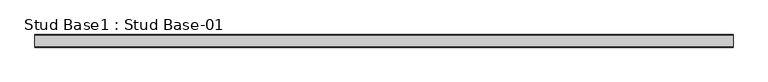
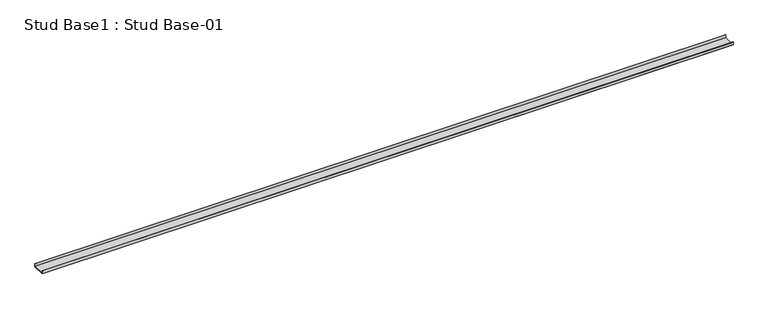
"""IFC4 building model written with IfcOpenShell, lengths in millimetres: proxy geometry, Stud Base1 : Stud Base-01."""

import ifcopenshell
import ifcopenshell.guid

model = None  # the IFC model being written
_history = None  # IfcOwnerHistory: only IFC2X3 demands one
_inside = {}  # id of a spatial element -> (the spatial element, [elements in it])
_under = {}  # id of a project, library or spatial element -> (it, [spatial elements below it])
_declared = {}  # id of a project -> (the project, [libraries it declares])
_typed = {}  # id of a type object -> (the type object, [elements of that type])
_made_of = {}  # id of a material, layer set ... -> (it, [elements and type objects made of it])


def new_model(schema):
    """Start an empty IFC model of exactly this schema.

    Asked for "IFC4X3", IfcOpenShell would pick the latest addendum, in which some entities
    have other attributes; the version numbers below select the first issue.
    IFC2X3 requires an IfcOwnerHistory on every rooted entity: one is made here for all.
    """
    global model, _history
    if schema == "IFC4X3":
        model = ifcopenshell.file(schema_version=(4, 3, 0, 0))
    else:
        model = ifcopenshell.file(schema=schema)
    _inside.clear()
    _under.clear()
    _declared.clear()
    _typed.clear()
    _made_of.clear()
    _history = None
    if model.schema == "IFC2X3":
        org = make("IfcOrganization", Name="unknown")
        user = make(
            "IfcPersonAndOrganization",
            ThePerson=make("IfcPerson", FamilyName="unknown"),
            TheOrganization=org,
        )
        app = make(
            "IfcApplication",
            ApplicationDeveloper=org,
            Version="unknown",
            ApplicationFullName="unknown",
            ApplicationIdentifier="unknown",
        )
        _history = make(
            "IfcOwnerHistory",
            OwningUser=user,
            OwningApplication=app,
            ChangeAction="ADDED",
            CreationDate=0,
        )
    return model


def make(cls, **values):
    """One entity of the class cls with the attributes given. An attribute that is None is left unset."""
    return model.create_entity(
        cls, **{name: value for name, value in values.items() if value is not None}
    )


def rooted(cls, **values):
    """An entity with a GlobalId (a new one), such as an element, a storey or a relation."""
    return make(cls, GlobalId=ifcopenshell.guid.new(), OwnerHistory=_history, **values)


def si_unit(unit_type, name, prefix=None):
    """IfcSIUnit, for example si_unit("LENGTHUNIT", "METRE", prefix="MILLI")."""
    return make("IfcSIUnit", UnitType=unit_type, Prefix=prefix, Name=name)


def assignment(units):
    """IfcUnitAssignment: the units of a project."""
    return None if units is None else make("IfcUnitAssignment", Units=units)


def point(xyz):
    """IfcCartesianPoint."""
    return None if xyz is None else make("IfcCartesianPoint", Coordinates=xyz)


def direction(xyz):
    """IfcDirection."""
    return None if xyz is None else make("IfcDirection", DirectionRatios=xyz)


def frame(location, z_axis=None, x_axis=None):
    """IfcAxis2Placement3D, a coordinate frame: its origin and axes. An axis left out is left unset."""
    return make(
        "IfcAxis2Placement3D",
        Location=point(location),
        Axis=direction(z_axis),
        RefDirection=direction(x_axis),
    )


def origin():
    """The frame at (0, 0, 0) with its axes left unset."""
    return frame((0.0, 0.0, 0.0))


def place(relative_to, where):
    """IfcLocalPlacement: puts the frame where relative to a parent placement (None: the world)."""
    return make(
        "IfcLocalPlacement", PlacementRelTo=relative_to, RelativePlacement=where
    )


def context(
    kind, dimensions, precision=None, world=None, true_north=None, identifier=None
):
    """IfcGeometricRepresentationContext, for example the 3D "Model" context."""
    return make(
        "IfcGeometricRepresentationContext",
        ContextIdentifier=identifier,
        ContextType=kind,
        CoordinateSpaceDimension=dimensions,
        Precision=precision,
        WorldCoordinateSystem=world,
        TrueNorth=true_north,
    )


def project(units=None, contexts=None):
    """IfcProject with its units and contexts."""
    return rooted(
        "IfcProject",
        Name="project",
        RepresentationContexts=contexts,
        UnitsInContext=assignment(units),
    )


def spatial(cls, under=None, at=None, **own):
    """A site, building, storey or space (cls), placed at a placement, below another one or the project."""
    s = rooted(cls, ObjectPlacement=at, **own)
    if under is not None:
        _under.setdefault(under.id(), (under, []))[1].append(s)
    return s


def polyline(points):
    """IfcPolyline through the points."""
    return make("IfcPolyline", Points=[point(p) for p in points])


def outline(outer, holes=None, kind="AREA"):
    """IfcArbitraryClosedProfileDef: a profile drawn as a closed curve; with holes, ...WithVoids."""
    if holes is None:
        return make("IfcArbitraryClosedProfileDef", ProfileType=kind, OuterCurve=outer)
    return make(
        "IfcArbitraryProfileDefWithVoids",
        ProfileType=kind,
        OuterCurve=outer,
        InnerCurves=holes,
    )


def extrude(swept, where, along, depth):
    """IfcExtrudedAreaSolid: the profile swept, set in the frame where, extruded along a direction by depth."""
    return make(
        "IfcExtrudedAreaSolid",
        SweptArea=swept,
        Position=where,
        ExtrudedDirection=direction(along),
        Depth=depth,
    )


def shape(context_of_items, identifier, shape_type, items):
    """IfcShapeRepresentation: the items that make up one representation, for example the "Body"."""
    return make(
        "IfcShapeRepresentation",
        ContextOfItems=context_of_items,
        RepresentationIdentifier=identifier,
        RepresentationType=shape_type,
        Items=items,
    )


def source(mapping_origin, context_of_items, identifier, shape_type, items):
    """IfcRepresentationMap: a shape defined once, which mapped items show again and again."""
    return make(
        "IfcRepresentationMap",
        MappingOrigin=mapping_origin,
        MappedRepresentation=shape(context_of_items, identifier, shape_type, items),
    )


def transform(
    local_origin,
    x_axis=None,
    y_axis=None,
    z_axis=None,
    scale=None,
    scale2=None,
    scale3=None,
    uniform=True,
):
    """IfcCartesianTransformationOperator3D, or its non-uniform kind. x_axis, y_axis, z_axis: its Axis1, 2, 3."""
    if uniform:
        return make(
            "IfcCartesianTransformationOperator3D",
            Axis1=direction(x_axis),
            Axis2=direction(y_axis),
            LocalOrigin=point(local_origin),
            Scale=scale,
            Axis3=direction(z_axis),
        )
    return make(
        "IfcCartesianTransformationOperator3DnonUniform",
        Axis1=direction(x_axis),
        Axis2=direction(y_axis),
        LocalOrigin=point(local_origin),
        Scale=scale,
        Axis3=direction(z_axis),
        Scale2=scale2,
        Scale3=scale3,
    )


def mapped(mapping_source, mapping_target):
    """IfcMappedItem: shows the shape of a source again, moved by a transform."""
    return make(
        "IfcMappedItem", MappingSource=mapping_source, MappingTarget=mapping_target
    )


def made_of(thing, what):
    """Note that an element or type object is made of a material, layer set ...; save() writes the relation."""
    if what is not None:
        _made_of.setdefault(what.id(), (what, []))[1].append(thing)
    return thing


def element(
    cls,
    number,
    at=None,
    inside=None,
    cuts=None,
    type_object=None,
    material=None,
    context=None,
    identifier="Body",
    shape_type=None,
    held_by="IfcProductDefinitionShape",
    body=None,
    shapes=None,
    **own,
):
    """One element of the class cls, such as IfcWall. Its Tag is "e" and its number.

    at: its placement. inside: the storey or other place that contains it. cuts: it is an
    opening in that element (IfcRelVoidsElement). A single representation is given by context,
    identifier, shape_type and body (its items); several are given by shapes. held_by: the class
    of the entity that holds the representations. save() writes the other relations.
    """
    e = rooted(cls, Tag="e%d" % number, ObjectPlacement=at, **own)
    if body is not None:
        shapes = [shape(context, identifier, shape_type, body)]
    if shapes is not None:
        e.Representation = make(held_by, Representations=shapes)
    if inside is not None:
        _inside.setdefault(inside.id(), (inside, []))[1].append(e)
    if cuts is not None:
        rooted(
            "IfcRelVoidsElement", RelatingBuildingElement=cuts, RelatedOpeningElement=e
        )
    if type_object is not None:
        _typed.setdefault(type_object.id(), (type_object, []))[1].append(e)
    return made_of(e, material)


def aggregate(whole, parts):
    """IfcRelAggregates: a whole, such as a stair, and the parts it consists of."""
    return rooted("IfcRelAggregates", RelatingObject=whole, RelatedObjects=parts)


def save(model, path):
    """Write the relations noted so far, then the file.

    IfcRelAggregates (storeys below a building ...), IfcRelContainedInSpatialStructure (elements
    in a storey), IfcRelDefinesByType, IfcRelAssociatesMaterial and IfcRelDeclares: one each for
    every whole, place, type object, material and project.
    """
    for whole, parts in _under.values():
        aggregate(whole, parts)
    for where, things in _inside.values():
        rooted(
            "IfcRelContainedInSpatialStructure",
            RelatedElements=things,
            RelatingStructure=where,
        )
    for kind, things in _typed.values():
        rooted("IfcRelDefinesByType", RelatedObjects=things, RelatingType=kind)
    for what, things in _made_of.values():
        rooted("IfcRelAssociatesMaterial", RelatedObjects=things, RelatingMaterial=what)
    for by, libraries in _declared.values():
        rooted("IfcRelDeclares", RelatingContext=by, RelatedDefinitions=libraries)
    model.write(path)


def stud_base1_stud_base_01_e8b61b4d(model_context):
    return source(origin(), model_context, "Body", "SweptSolid", [
        extrude(outline(polyline([(-487.1, 6200.0), (-641.1109375, 6200.0), (-641.1109375, 6237.0), (-639.6109375, 6237.0), (-639.6109375, 6202.0), (-488.6, 6202.0), (-488.6, 6237.0), (-487.1, 6237.0), (-487.1, 6200.0)])), frame((-13774.1749894, 0.0, 0.0), z_axis=(1.0, 0.0, 0.0), x_axis=(0.0, 1.0, 0.0)), (0.0, 0.0, 1.0), 8540.0),
    ])


if __name__ == "__main__":
    model = new_model("IFC4")
    model_context = context("Model", 3, world=origin())
    ifc_project = project(units=[si_unit("LENGTHUNIT", "METRE", prefix="MILLI")], contexts=[model_context])
    site = spatial("IfcSite", under=ifc_project)
    building = spatial("IfcBuilding", under=site)
    placement = place(None, origin())
    stud_base1_stud_base_01_shape = stud_base1_stud_base_01_e8b61b4d(model_context)
    element("IfcBuildingElementProxy", 1, Name="Stud Base1 : Stud Base-01", ObjectType="Stud Base1 : Stud Base-01", at=placement, inside=building, context=model_context, shape_type="MappedRepresentation", body=[
        mapped(stud_base1_stud_base_01_shape, transform((0.0, 0.0, 0.0), x_axis=(1.0, 0.0, 0.0), y_axis=(0.0, 1.0, 0.0), z_axis=(0.0, 0.0, 1.0))),
    ])
    save(model, "model.ifc")
